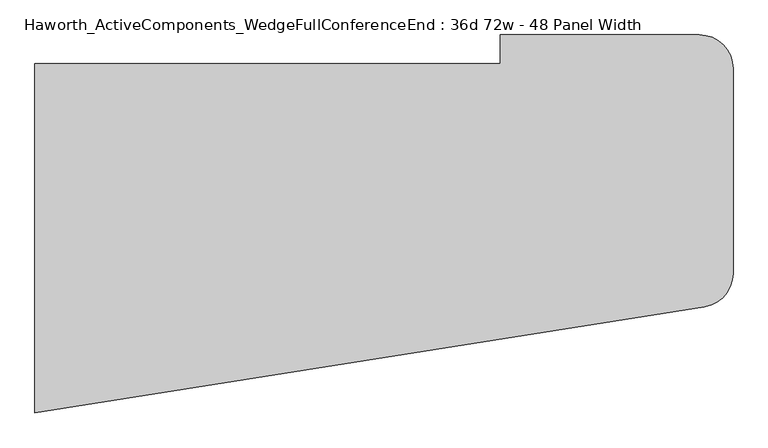
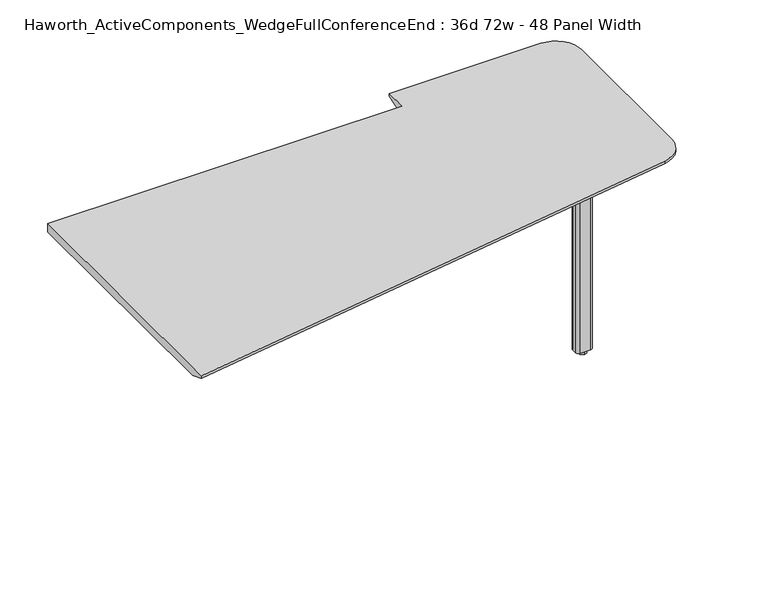
"""IFC4 building model written with IfcOpenShell, lengths in millimetres: furniture geometry, Haworth_ActiveComponents_WedgeFullConferenceEnd : 36d 72w - 48 Panel Width."""

from ifc_helpers import new_model, si_unit, point, frame, frame_2d, origin, origin_with_axes, place, context, project, spatial, polyline, circle_curve, trimmed, segment, composite_curve, outline, extrude, source, transform, mapped, element, save
from ifc_brep_helpers import plane_surface, cylinder_surface, revolved_surface, advanced_brep


def haworth_activecomponents_wedgefullconferenceend_36d_72w_48_5c957ed0(model_context):
    return source(origin(), model_context, "Body", "SolidModel", [
        extrude(outline(composite_curve([segment(trimmed(circle_curve(frame_2d((1037.43125, -133.0784766)), 9.525), [point((1027.90625, -133.0784766))], [point((1037.43125, -123.5534766))], False, "CARTESIAN"), True, "CONTINUOUS"), segment(polyline([(1037.43125, -123.5534766), (1170.78125, -123.5534766)]), True, "CONTINUOUS"), segment(trimmed(circle_curve(frame_2d((1170.78125, -133.0784766)), 9.525), [point((1170.78125, -123.5534766))], [point((1180.30625, -133.0784766))], False, "CARTESIAN"), True, "CONTINUOUS"), segment(polyline([(1180.30625, -133.0784766), (1180.30625, -266.4284766)]), True, "CONTINUOUS"), segment(trimmed(circle_curve(frame_2d((1170.78125, -266.4284766)), 9.525), [point((1180.30625, -266.4284766))], [point((1170.78125, -275.9534766))], False, "CARTESIAN"), True, "CONTINUOUS"), segment(polyline([(1170.78125, -275.9534766), (1037.43125, -275.9534766)]), True, "CONTINUOUS"), segment(trimmed(circle_curve(frame_2d((1037.43125, -266.4284766)), 9.525), [point((1037.43125, -275.9534766))], [point((1027.90625, -266.4284766))], False, "CARTESIAN"), True, "CONTINUOUS"), segment(polyline([(1027.90625, -266.4284766), (1027.90625, -133.0784766)]), True, "CONTINUOUS")], self_intersect=False)), frame((0.0, 0.0, 706.4375), z_axis=(0.0, 0.0, 1.0), x_axis=(1.0, 0.0, 0.0)), (0.0, 0.0, 1.0), 4.7625),
        extrude(outline(composite_curve([segment(trimmed(circle_curve(frame_2d((1104.10625, -199.7534766)), 13.6023831), [point((1104.10625, -213.3558596))], [point((1104.10625, -186.1510935))], False, "CARTESIAN"), True, "CONTINUOUS"), segment(trimmed(circle_curve(frame_2d((1104.10625, -199.7534766)), 13.6023831), [point((1104.10625, -186.1510935))], [point((1104.10625, -213.3558596))], False, "CARTESIAN"), True, "CONTINUOUS")], self_intersect=False)), origin_with_axes(), (0.0, 0.0, 1.0), 12.7),
        extrude(outline(composite_curve([segment(trimmed(circle_curve(frame_2d((1085.85, -191.8159766)), 9.525), [point((1076.325, -191.8159766))], [point((1085.85, -182.2909766))], False, "CARTESIAN"), True, "CONTINUOUS"), segment(polyline([(1085.85, -182.2909766), (1122.3625, -182.2909766)]), True, "CONTINUOUS"), segment(trimmed(circle_curve(frame_2d((1122.3625, -191.8159766)), 9.525), [point((1122.3625, -182.2909766))], [point((1131.8875, -191.8159766))], False, "CARTESIAN"), True, "CONTINUOUS"), segment(polyline([(1131.8875, -191.8159766), (1131.8875, -207.6909766)]), True, "CONTINUOUS"), segment(trimmed(circle_curve(frame_2d((1122.3625, -207.6909766)), 9.525), [point((1131.8875, -207.6909766))], [point((1122.3625, -217.2159766))], False, "CARTESIAN"), True, "CONTINUOUS"), segment(polyline([(1122.3625, -217.2159766), (1085.85, -217.2159766)]), True, "CONTINUOUS"), segment(trimmed(circle_curve(frame_2d((1085.85, -207.6909766)), 9.525), [point((1085.85, -217.2159766))], [point((1076.325, -207.6909766))], False, "CARTESIAN"), True, "CONTINUOUS"), segment(polyline([(1076.325, -207.6909766), (1076.325, -191.8159766)]), True, "CONTINUOUS")], self_intersect=False)), frame((0.0, 0.0, 12.7), z_axis=(0.0, 0.0, 1.0), x_axis=(1.0, 0.0, 0.0)), (0.0, 0.0, 1.0), 693.7375),
        advanced_brep(
        [(749.3, 257.4465234, 741.3625), (-469.9, 257.4465234, 741.3625), (-469.9, -656.9534766, 741.3625), (1283.9070239, -379.1777326, 741.3625), (1358.9, -291.3722392, 741.3625), (1358.9, 244.7465234, 741.3625), (1270.0, 333.6465234, 741.3625), (749.3, 333.6465234, 741.3625), (-469.9, 257.4465234, 711.2), (749.3, 257.4465234, 711.2), (749.3, 282.8465234, 711.2), (1270.0, 282.8465234, 711.2), (1308.1, 244.7465234, 711.2), (1308.1, -291.3722392, 711.2), (1275.9601531, -329.0031649, 711.2), (-469.9, -605.5202482, 711.2), (-469.9, -656.9534766, 731.8375), (1358.9, -291.3722392, 731.8375), (1358.9, 244.7465234, 731.8375), (1270.0, 333.6465234, 731.8375), (749.3, 333.6465234, 731.8375), (1283.9070239, -379.1777326, 731.8375)],
        [
            (0, 1),
            (1, 2),
            (2, 3),
            (3, 4, circle_curve(frame((1270.0, -291.3722392, 741.3625), z_axis=(0.0, 0.0, 1.0), x_axis=(1.0, 0.0, 0.0)), 88.9)),
            (4, 5),
            (5, 6, circle_curve(frame((1270.0, 244.7465234, 741.3625), z_axis=(0.0, 0.0, 1.0), x_axis=(1.0, 0.0, 0.0)), 88.9)),
            (6, 7),
            (7, 0),
            (8, 9),
            (9, 10),
            (10, 11),
            (11, 12, circle_curve(frame((1270.0, 244.7465234, 711.2), z_axis=(0.0, 0.0, -1.0), x_axis=(1.0, 0.0, 0.0)), 38.1)),
            (12, 13),
            (13, 14, circle_curve(frame((1270.0, -291.3722392, 711.2), z_axis=(0.0, 0.0, -1.0), x_axis=(0.1564344650402228, -0.987688340595139, 0.0)), 38.1)),
            (14, 15),
            (15, 8),
            (0, 9),
            (8, 1),
            (15, 16),
            (16, 2),
            (4, 17),
            (17, 18),
            (18, 5),
            (6, 19),
            (19, 20),
            (20, 7),
            (20, 10),
            (18, 19, circle_curve(frame((1270.0, 244.7465234, 731.8375), z_axis=(0.0, 0.0, 1.0), x_axis=(1.0, 0.0, 0.0)), 88.9)),
            (16, 21),
            (21, 3),
            (21, 17, circle_curve(frame((1270.0, -291.3722392, 731.8375), z_axis=(0.0, 0.0, 1.0), x_axis=(1.0, 0.0, 0.0)), 88.9)),
            (14, 21),
            (13, 17),
            (12, 18),
            (11, 19),
        ],
        [
            plane_surface(frame((-469.9, 257.4465234, 741.3625), z_axis=(0.0, 0.0, 1.0), x_axis=(-1.0, 0.0, 0.0))),
            plane_surface(frame((-469.9, 257.4465234, 711.2), z_axis=(0.0, 0.0, -1.0), x_axis=(1.0, 0.0, 0.0))),
            plane_surface(frame((749.3, 257.4465234, 741.3625), z_axis=(0.0, 1.0, 0.0), x_axis=(0.0, 0.0, -1.0))),
            plane_surface(frame((-469.9, 257.4465234, 741.3625), z_axis=(-1.0, 0.0, 0.0), x_axis=(0.0, 0.0, -1.0))),
            plane_surface(frame((1358.9, -291.3722392, 741.3625), z_axis=(1.0, 0.0, 0.0), x_axis=(0.0, 0.0, -1.0))),
            plane_surface(frame((1270.0, 333.6465234, 741.3625), z_axis=(0.0, 1.0, 0.0), x_axis=(0.0, 0.0, -1.0))),
            plane_surface(frame((749.3, 333.6465234, 741.3625), z_axis=(-1.0, 0.0, 0.0), x_axis=(0.0, 0.0, -1.0))),
            cylinder_surface(frame((1270.0, 244.7465234, 711.2), z_axis=(0.0, 0.0, 1.0), x_axis=(1.0, 0.0, 0.0)), 88.9),
            plane_surface(frame((-469.9, -656.9534766, 741.3625), z_axis=(0.1564344650402339, -0.9876883405951372, 0.0), x_axis=(0.0, 0.0, -1.0))),
            cylinder_surface(frame((1270.0, -291.3722392, 711.2), z_axis=(0.0, 0.0, 1.0), x_axis=(1.0, 0.0, 0.0)), 88.9),
            plane_surface(frame((-469.9, -656.9534766, 731.8375), z_axis=(0.05887834199406142, -0.37174322094655315, -0.9264665771220851), x_axis=(0.9876883405951372, 0.15643446504023387, 0.0))),
            revolved_surface(polyline([(1275.9601531, -329.0031649, 711.2), (1283.9070239, -379.1777326, 731.8375)]), (1270.0, -291.3722392, 741.3625), (0.0, 0.0, 1.0)),
            plane_surface(frame((1358.9, -291.3722392, 731.8375), z_axis=(0.3763770469564895, 0.0, -0.9264665771220851), x_axis=(0.0, 1.0, 0.0))),
            revolved_surface(polyline([(1308.1, 244.7465234, 711.2), (1358.9, 244.7465234, 731.8375)]), (1270.0, 244.7465234, 741.3625), (0.0, 0.0, 1.0)),
            plane_surface(frame((1270.0, 333.6465234, 731.8375), z_axis=(0.0, 0.3763770469564895, -0.9264665771220851), x_axis=(-1.0, 0.0, 0.0))),
        ],
        [
            (0, [[1, 2, 3, 4, 5, 6, 7, 8]]),
            (1, [[9, 10, 11, 12, 13, 14, 15, 16]]),
            (2, [[-1, 17, -9, 18]]),
            (3, [[-2, -18, -16, 19, 20]]),
            (4, [[-5, 21, 22, 23]]),
            (5, [[-7, 24, 25, 26]]),
            (6, [[-8, -26, 27, -10, -17]]),
            (7, [[-6, -23, 28, -24]]),
            (8, [[-3, -20, 29, 30]]),
            (9, [[-4, -30, 31, -21]]),
            (10, [[32, -29, -19, -15]]),
            (11, [[-32, -14, 33, -31]]),
            (12, [[-33, -13, 34, -22]]),
            (13, [[-34, -12, 35, -28]]),
            (14, [[-35, -11, -27, -25]]),
        ],
    ),
    ])


if __name__ == "__main__":
    model = new_model("IFC4")
    model_context = context("Model", 3, world=origin())
    ifc_project = project(units=[si_unit("LENGTHUNIT", "METRE", prefix="MILLI")], contexts=[model_context])
    site = spatial("IfcSite", under=ifc_project)
    building = spatial("IfcBuilding", under=site)
    placement = place(None, origin())
    haworth_activecomponents_wedgefullconferenceend_36d_72w_48_shape = haworth_activecomponents_wedgefullconferenceend_36d_72w_48_5c957ed0(model_context)
    element("IfcFurniture", 1, ObjectType="Haworth_ActiveComponents_WedgeFullConferenceEnd : 36d 72w - 48 Panel Width", at=placement, inside=building, context=model_context, shape_type="MappedRepresentation", body=[
        mapped(haworth_activecomponents_wedgefullconferenceend_36d_72w_48_shape, transform((0.0, 0.0, 0.0), x_axis=(1.0, 0.0, 0.0), y_axis=(0.0, 1.0, 0.0), z_axis=(0.0, 0.0, 1.0))),
    ])
    save(model, "model.ifc")
